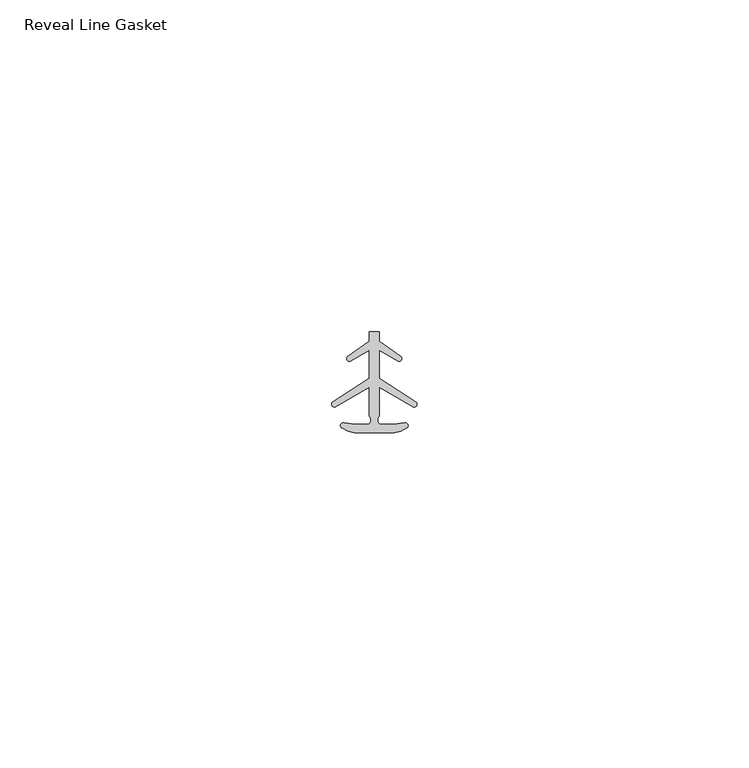
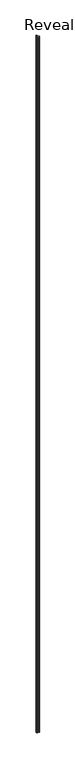
"""IFC4 building model written with IfcOpenShell, lengths in millimetres: proxy geometry, Reveal Line Gasket."""

from ifc_helpers import new_model, si_unit, point, frame, frame_2d, origin, place, context, project, spatial, polyline, circle_curve, trimmed, segment, composite_curve, outline, extrude, source, transform, mapped, element, save


def reveal_line_gasket_6c5ee8c9(model_context):
    return source(origin(), model_context, "Body", "SweptSolid", [
        extrude(outline(composite_curve([segment(polyline([(2.999107, -7.6326998), (-3.000893, -7.6326998), (-3.9563857, -7.4091917), (-4.8893614, -6.8813059)]), True, "CONTINUOUS"), segment(trimmed(circle_curve(frame_2d((-4.6873723, -6.5243141)), 0.4101739), [point((-4.8893614, -6.8813059))], [point((-4.5950277, -6.1246704))], False, "CARTESIAN"), True, "CONTINUOUS"), segment(polyline([(-4.5950277, -6.1246704), (-2.8988015, -6.3626997), (-0.8663457, -6.3626997)]), True, "CONTINUOUS"), segment(trimmed(circle_curve(frame_2d((-1.2828188, -5.6959605)), 0.786124), [point((-0.8663457, -6.3626997))], [point((-0.778768, -5.0926996))], True, "CARTESIAN"), True, "CONTINUOUS"), segment(polyline([(-0.778768, -5.0926996), (-0.778768, -0.7492996), (-5.9404224, -3.7293824)]), True, "CONTINUOUS"), segment(trimmed(circle_curve(frame_2d((-6.0058691, -3.3132479)), 0.4212495), [point((-5.9404224, -3.7293824))], [point((-6.3335288, -3.0485022))], False, "CARTESIAN"), True, "CONTINUOUS"), segment(polyline([(-6.3335288, -3.0485022), (-0.778768, 0.5742594), (-0.778768, 4.8262978), (-3.6544226, 3.1660374)]), True, "CONTINUOUS"), segment(trimmed(circle_curve(frame_2d((-3.7127785, 3.5978728)), 0.4357605), [point((-3.6544226, 3.1660374))], [point((-4.0575811, 3.864328))], False, "CARTESIAN"), True, "CONTINUOUS"), segment(polyline([(-4.0575811, 3.864328), (-0.778768, 6.1944059), (-0.778768, 7.6326998), (0.7769821, 7.6326998), (0.7769821, 6.1944059), (4.0557951, 3.864328)]), True, "CONTINUOUS"), segment(trimmed(circle_curve(frame_2d((3.7109925, 3.5978728)), 0.4357605), [point((4.0557951, 3.864328))], [point((3.6526367, 3.1660374))], False, "CARTESIAN"), True, "CONTINUOUS"), segment(polyline([(3.6526367, 3.1660374), (0.7769821, 4.8262978), (0.7769821, 0.5742594), (6.3317429, -3.0485022)]), True, "CONTINUOUS"), segment(trimmed(circle_curve(frame_2d((6.0040832, -3.3132479)), 0.4212495), [point((6.3317429, -3.0485022))], [point((5.9386365, -3.7293824))], False, "CARTESIAN"), True, "CONTINUOUS"), segment(polyline([(5.9386365, -3.7293824), (0.7769821, -0.7492996), (0.7769821, -5.0926996)]), True, "CONTINUOUS"), segment(trimmed(circle_curve(frame_2d((1.2810328, -5.6959605)), 0.786124), [point((0.7769821, -5.0926996))], [point((0.8645598, -6.3626997))], True, "CARTESIAN"), True, "CONTINUOUS"), segment(polyline([(0.8645598, -6.3626997), (2.8970156, -6.3626997), (4.5932418, -6.1246704)]), True, "CONTINUOUS"), segment(trimmed(circle_curve(frame_2d((4.6855864, -6.5243141)), 0.4101739), [point((4.5932418, -6.1246704))], [point((4.8875754, -6.8813059))], False, "CARTESIAN"), True, "CONTINUOUS"), segment(polyline([(4.8875754, -6.8813059), (3.9545998, -7.4091917), (2.999107, -7.6326998)]), True, "CONTINUOUS")], self_intersect=False)), frame((0.0, 0.0, 84.836), z_axis=(0.0, 0.0, 1.0), x_axis=(1.0, 0.0, 0.0)), (0.0, 0.0, 1.0), 2979.039),
    ])


if __name__ == "__main__":
    model = new_model("IFC4")
    model_context = context("Model", 3, world=origin())
    ifc_project = project(units=[si_unit("LENGTHUNIT", "METRE", prefix="MILLI")], contexts=[model_context])
    site = spatial("IfcSite", under=ifc_project)
    building = spatial("IfcBuilding", under=site)
    placement = place(None, origin())
    reveal_line_gasket_shape = reveal_line_gasket_6c5ee8c9(model_context)
    element("IfcBuildingElementProxy", 1, Name="Reveal Line Gasket", ObjectType="Reveal Line Gasket", at=placement, inside=building, context=model_context, shape_type="MappedRepresentation", body=[
        mapped(reveal_line_gasket_shape, transform((0.0, 0.0, 0.0), x_axis=(1.0, 0.0, 0.0), y_axis=(0.0, 1.0, 0.0), z_axis=(0.0, 0.0, 1.0))),
    ])
    save(model, "model.ifc")
